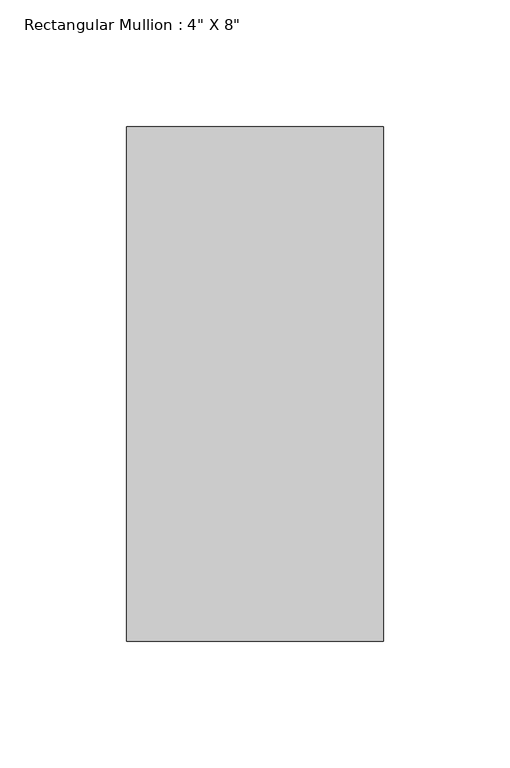
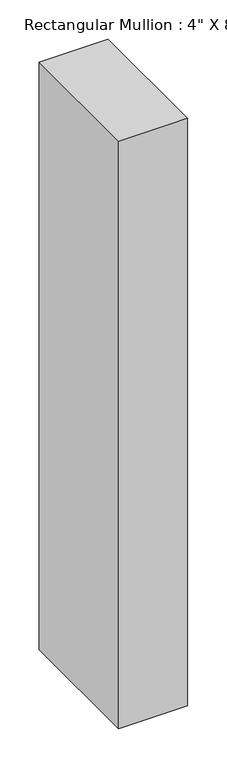
"""IFC4 building model written with IfcOpenShell, lengths in millimetres: member geometry."""

from ifc_helpers import new_model, si_unit, frame, origin, place, context, project, spatial, polyline, outline, extrude, source, transform, mapped, element, save


def member_6a7658bb(model_context):
    return source(origin(), model_context, "Body", "SweptSolid", [
        extrude(outline(polyline([(50.8, 139.7), (50.8, -63.5), (-50.8, -63.5), (-50.8, 139.7), (50.8, 139.7)])), frame((0.0, 0.0, -914.4), z_axis=(0.0, 0.0, 1.0), x_axis=(1.0, 0.0, 0.0)), (0.0, 0.0, 1.0), 914.4),
    ])


if __name__ == "__main__":
    model = new_model("IFC4")
    model_context = context("Model", 3, world=origin())
    ifc_project = project(units=[si_unit("LENGTHUNIT", "METRE", prefix="MILLI")], contexts=[model_context])
    site = spatial("IfcSite", under=ifc_project)
    building = spatial("IfcBuilding", under=site)
    placement = place(None, origin())
    member_shape = member_6a7658bb(model_context)
    element("IfcMember", 1, ObjectType="Rectangular Mullion : 4\" X 8\"", at=placement, inside=building, context=model_context, shape_type="MappedRepresentation", body=[
        mapped(member_shape, transform((0.0, 0.0, 0.0), x_axis=(1.0, 0.0, 0.0), y_axis=(0.0, 1.0, 0.0), z_axis=(0.0, 0.0, 1.0))),
    ])
    save(model, "model.ifc")
